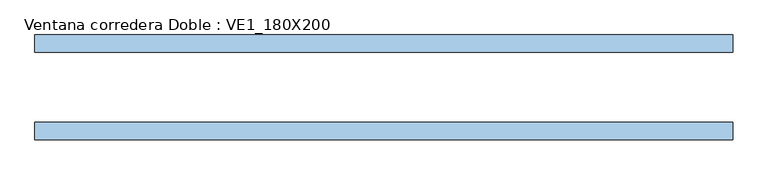
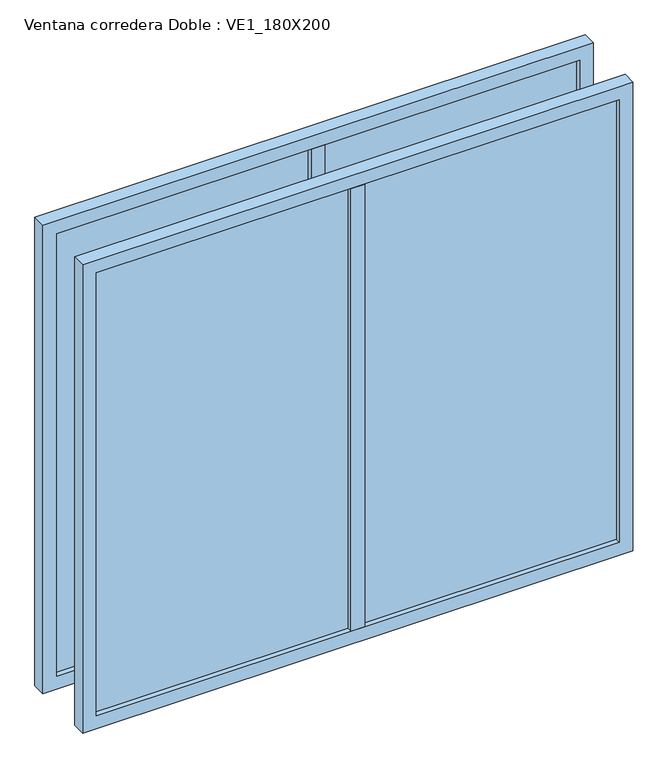
"""IFC4 building model written with IfcOpenShell, lengths in millimetres: window geometry, Ventana corredera Doble : VE1_180X200."""

from ifc_helpers import new_model, si_unit, frame, origin, place, context, project, spatial, polyline, outline, extrude, source, transform, mapped, element, save


def ventana_corredera_doble_ve1_180x200_39b96244(model_context):
    return source(origin(), model_context, "Body", "SweptSolid", [
        extrude(outline(polyline([(-25.0, -150.0), (-25.0, -100.0), (25.0, -100.0), (25.0, -150.0), (-25.0, -150.0)])), frame((0.0, 0.0, 850.0), z_axis=(0.0, 0.0, 1.0), x_axis=(1.0, 0.0, 0.0)), (0.0, 0.0, 1.0), 1700.0),
        extrude(outline(polyline([(950.0, -131.5), (-950.0, -131.5), (-950.0, -118.5), (950.0, -118.5), (950.0, -131.5)])), frame((0.0, 0.0, 850.0), z_axis=(0.0, 0.0, 1.0), x_axis=(1.0, 0.0, 0.0)), (0.0, 0.0, 1.0), 1700.0),
        extrude(outline(polyline([(800.0, 1000.0), (2600.0, 1000.0), (2600.0, -1000.0), (800.0, -1000.0), (800.0, 1000.0)]), holes=[polyline([(2550.0, 950.0), (850.0, 950.0), (850.0, -950.0), (2550.0, -950.0), (2550.0, 950.0)])]), frame((0.0, -150.0, 0.0), z_axis=(0.0, 1.0, 0.0), x_axis=(0.0, 0.0, 1.0)), (0.0, 0.0, 1.0), 50.0),
        extrude(outline(polyline([(-25.0, 150.0), (25.0, 150.0), (25.0, 100.0), (-25.0, 100.0), (-25.0, 150.0)])), frame((0.0, 0.0, 850.0), z_axis=(0.0, 0.0, 1.0), x_axis=(1.0, 0.0, 0.0)), (0.0, 0.0, 1.0), 1700.0),
        extrude(outline(polyline([(950.0, 131.5), (950.0, 118.5), (-950.0, 118.5), (-950.0, 131.5), (950.0, 131.5)])), frame((0.0, 0.0, 850.0), z_axis=(0.0, 0.0, 1.0), x_axis=(1.0, 0.0, 0.0)), (0.0, 0.0, 1.0), 1700.0),
        extrude(outline(polyline([(2600.0, 1000.0), (2600.0, -1000.0), (800.0, -1000.0), (800.0, 1000.0), (2600.0, 1000.0)]), holes=[polyline([(850.0, 950.0), (850.0, -950.0), (2550.0, -950.0), (2550.0, 950.0), (850.0, 950.0)])]), frame((0.0, 100.0, 0.0), z_axis=(0.0, 1.0, 0.0), x_axis=(0.0, 0.0, 1.0)), (0.0, 0.0, 1.0), 50.0),
    ])


if __name__ == "__main__":
    model = new_model("IFC4")
    model_context = context("Model", 3, world=origin())
    ifc_project = project(units=[si_unit("LENGTHUNIT", "METRE", prefix="MILLI")], contexts=[model_context])
    site = spatial("IfcSite", under=ifc_project)
    building = spatial("IfcBuilding", under=site)
    placement = place(None, origin())
    ventana_corredera_doble_ve1_180x200_shape = ventana_corredera_doble_ve1_180x200_39b96244(model_context)
    element("IfcWindow", 1, ObjectType="Ventana corredera Doble : VE1_180X200", at=placement, inside=building, context=model_context, shape_type="MappedRepresentation", body=[
        mapped(ventana_corredera_doble_ve1_180x200_shape, transform((0.0, 0.0, 0.0), x_axis=(1.0, 0.0, 0.0), y_axis=(0.0, 1.0, 0.0), z_axis=(0.0, 0.0, 1.0))),
    ])
    save(model, "model.ifc")
